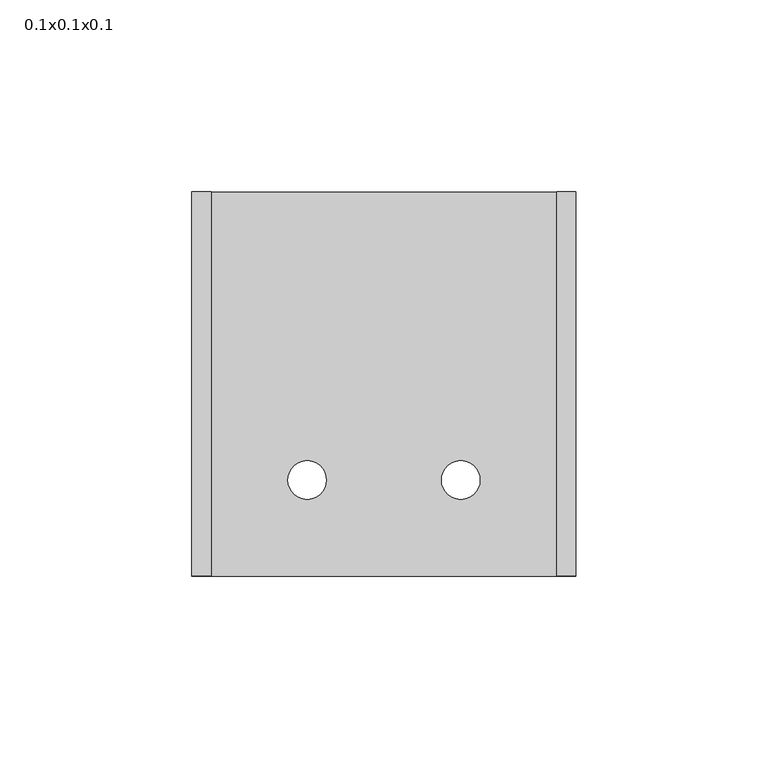
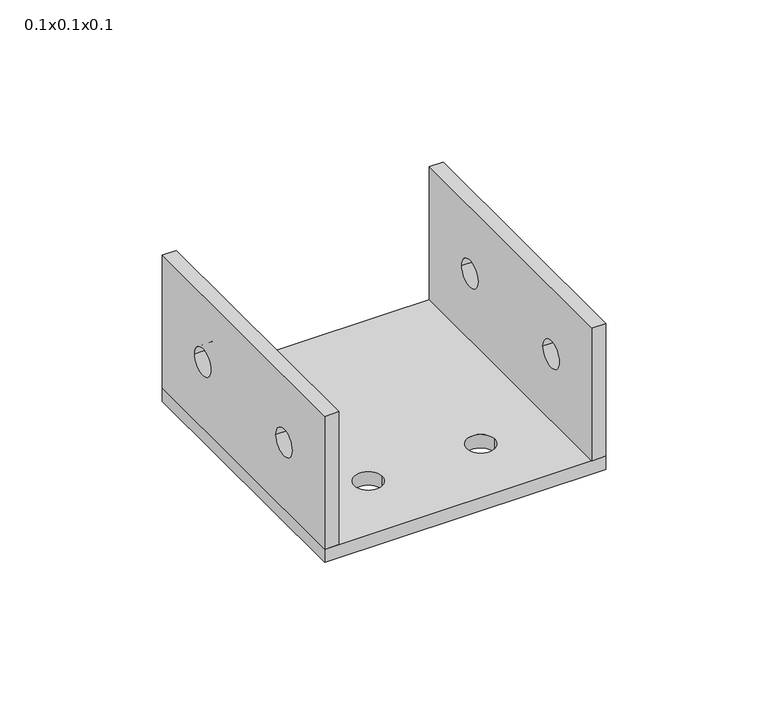
"""IFC4 building model written with IfcOpenShell, lengths in millimetres: proxy geometry, 0.1x0.1x0.1."""

import ifcopenshell
import ifcopenshell.guid

model = None  # the IFC model being written
_history = None  # IfcOwnerHistory: only IFC2X3 demands one
_inside = {}  # id of a spatial element -> (the spatial element, [elements in it])
_under = {}  # id of a project, library or spatial element -> (it, [spatial elements below it])
_declared = {}  # id of a project -> (the project, [libraries it declares])
_typed = {}  # id of a type object -> (the type object, [elements of that type])
_made_of = {}  # id of a material, layer set ... -> (it, [elements and type objects made of it])


def new_model(schema):
    """Start an empty IFC model of exactly this schema.

    Asked for "IFC4X3", IfcOpenShell would pick the latest addendum, in which some entities
    have other attributes; the version numbers below select the first issue.
    IFC2X3 requires an IfcOwnerHistory on every rooted entity: one is made here for all.
    """
    global model, _history
    if schema == "IFC4X3":
        model = ifcopenshell.file(schema_version=(4, 3, 0, 0))
    else:
        model = ifcopenshell.file(schema=schema)
    _inside.clear()
    _under.clear()
    _declared.clear()
    _typed.clear()
    _made_of.clear()
    _history = None
    if model.schema == "IFC2X3":
        org = make("IfcOrganization", Name="unknown")
        user = make(
            "IfcPersonAndOrganization",
            ThePerson=make("IfcPerson", FamilyName="unknown"),
            TheOrganization=org,
        )
        app = make(
            "IfcApplication",
            ApplicationDeveloper=org,
            Version="unknown",
            ApplicationFullName="unknown",
            ApplicationIdentifier="unknown",
        )
        _history = make(
            "IfcOwnerHistory",
            OwningUser=user,
            OwningApplication=app,
            ChangeAction="ADDED",
            CreationDate=0,
        )
    return model


def make(cls, **values):
    """One entity of the class cls with the attributes given. An attribute that is None is left unset."""
    return model.create_entity(
        cls, **{name: value for name, value in values.items() if value is not None}
    )


def rooted(cls, **values):
    """An entity with a GlobalId (a new one), such as an element, a storey or a relation."""
    return make(cls, GlobalId=ifcopenshell.guid.new(), OwnerHistory=_history, **values)


def si_unit(unit_type, name, prefix=None):
    """IfcSIUnit, for example si_unit("LENGTHUNIT", "METRE", prefix="MILLI")."""
    return make("IfcSIUnit", UnitType=unit_type, Prefix=prefix, Name=name)


def assignment(units):
    """IfcUnitAssignment: the units of a project."""
    return None if units is None else make("IfcUnitAssignment", Units=units)


def point(xyz):
    """IfcCartesianPoint."""
    return None if xyz is None else make("IfcCartesianPoint", Coordinates=xyz)


def direction(xyz):
    """IfcDirection."""
    return None if xyz is None else make("IfcDirection", DirectionRatios=xyz)


def frame(location, z_axis=None, x_axis=None):
    """IfcAxis2Placement3D, a coordinate frame: its origin and axes. An axis left out is left unset."""
    return make(
        "IfcAxis2Placement3D",
        Location=point(location),
        Axis=direction(z_axis),
        RefDirection=direction(x_axis),
    )


def frame_2d(location, x_axis=None):
    """IfcAxis2Placement2D, a coordinate frame in the plane: its origin and x axis."""
    return make(
        "IfcAxis2Placement2D", Location=point(location), RefDirection=direction(x_axis)
    )


def origin():
    """The frame at (0, 0, 0) with its axes left unset."""
    return frame((0.0, 0.0, 0.0))


def origin_with_axes():
    """The frame at (0, 0, 0) with the z axis (0, 0, 1) and the x axis (1, 0, 0) written out."""
    return frame((0.0, 0.0, 0.0), z_axis=(0.0, 0.0, 1.0), x_axis=(1.0, 0.0, 0.0))


def place(relative_to, where):
    """IfcLocalPlacement: puts the frame where relative to a parent placement (None: the world)."""
    return make(
        "IfcLocalPlacement", PlacementRelTo=relative_to, RelativePlacement=where
    )


def context(
    kind, dimensions, precision=None, world=None, true_north=None, identifier=None
):
    """IfcGeometricRepresentationContext, for example the 3D "Model" context."""
    return make(
        "IfcGeometricRepresentationContext",
        ContextIdentifier=identifier,
        ContextType=kind,
        CoordinateSpaceDimension=dimensions,
        Precision=precision,
        WorldCoordinateSystem=world,
        TrueNorth=true_north,
    )


def project(units=None, contexts=None):
    """IfcProject with its units and contexts."""
    return rooted(
        "IfcProject",
        Name="project",
        RepresentationContexts=contexts,
        UnitsInContext=assignment(units),
    )


def spatial(cls, under=None, at=None, **own):
    """A site, building, storey or space (cls), placed at a placement, below another one or the project."""
    s = rooted(cls, ObjectPlacement=at, **own)
    if under is not None:
        _under.setdefault(under.id(), (under, []))[1].append(s)
    return s


def polyline(points):
    """IfcPolyline through the points."""
    return make("IfcPolyline", Points=[point(p) for p in points])


def circle_curve(where, radius):
    """IfcCircle in the frame where."""
    return make("IfcCircle", Position=where, Radius=radius)


def trimmed(basis, trim1, trim2, sense, master):
    """IfcTrimmedCurve: the piece of a basis curve between two trims."""
    return make(
        "IfcTrimmedCurve",
        BasisCurve=basis,
        Trim1=trim1,
        Trim2=trim2,
        SenseAgreement=sense,
        MasterRepresentation=master,
    )


def segment(curve, same_sense, transition):
    """IfcCompositeCurveSegment."""
    return make(
        "IfcCompositeCurveSegment",
        Transition=transition,
        SameSense=same_sense,
        ParentCurve=curve,
    )


def composite_curve(segments, self_intersect=None):
    """IfcCompositeCurve: segments joined end to end."""
    return make("IfcCompositeCurve", Segments=segments, SelfIntersect=self_intersect)


def outline(outer, holes=None, kind="AREA"):
    """IfcArbitraryClosedProfileDef: a profile drawn as a closed curve; with holes, ...WithVoids."""
    if holes is None:
        return make("IfcArbitraryClosedProfileDef", ProfileType=kind, OuterCurve=outer)
    return make(
        "IfcArbitraryProfileDefWithVoids",
        ProfileType=kind,
        OuterCurve=outer,
        InnerCurves=holes,
    )


def extrude(swept, where, along, depth):
    """IfcExtrudedAreaSolid: the profile swept, set in the frame where, extruded along a direction by depth."""
    return make(
        "IfcExtrudedAreaSolid",
        SweptArea=swept,
        Position=where,
        ExtrudedDirection=direction(along),
        Depth=depth,
    )


def shape(context_of_items, identifier, shape_type, items):
    """IfcShapeRepresentation: the items that make up one representation, for example the "Body"."""
    return make(
        "IfcShapeRepresentation",
        ContextOfItems=context_of_items,
        RepresentationIdentifier=identifier,
        RepresentationType=shape_type,
        Items=items,
    )


def source(mapping_origin, context_of_items, identifier, shape_type, items):
    """IfcRepresentationMap: a shape defined once, which mapped items show again and again."""
    return make(
        "IfcRepresentationMap",
        MappingOrigin=mapping_origin,
        MappedRepresentation=shape(context_of_items, identifier, shape_type, items),
    )


def transform(
    local_origin,
    x_axis=None,
    y_axis=None,
    z_axis=None,
    scale=None,
    scale2=None,
    scale3=None,
    uniform=True,
):
    """IfcCartesianTransformationOperator3D, or its non-uniform kind. x_axis, y_axis, z_axis: its Axis1, 2, 3."""
    if uniform:
        return make(
            "IfcCartesianTransformationOperator3D",
            Axis1=direction(x_axis),
            Axis2=direction(y_axis),
            LocalOrigin=point(local_origin),
            Scale=scale,
            Axis3=direction(z_axis),
        )
    return make(
        "IfcCartesianTransformationOperator3DnonUniform",
        Axis1=direction(x_axis),
        Axis2=direction(y_axis),
        LocalOrigin=point(local_origin),
        Scale=scale,
        Axis3=direction(z_axis),
        Scale2=scale2,
        Scale3=scale3,
    )


def mapped(mapping_source, mapping_target):
    """IfcMappedItem: shows the shape of a source again, moved by a transform."""
    return make(
        "IfcMappedItem", MappingSource=mapping_source, MappingTarget=mapping_target
    )


def made_of(thing, what):
    """Note that an element or type object is made of a material, layer set ...; save() writes the relation."""
    if what is not None:
        _made_of.setdefault(what.id(), (what, []))[1].append(thing)
    return thing


def element(
    cls,
    number,
    at=None,
    inside=None,
    cuts=None,
    type_object=None,
    material=None,
    context=None,
    identifier="Body",
    shape_type=None,
    held_by="IfcProductDefinitionShape",
    body=None,
    shapes=None,
    **own,
):
    """One element of the class cls, such as IfcWall. Its Tag is "e" and its number.

    at: its placement. inside: the storey or other place that contains it. cuts: it is an
    opening in that element (IfcRelVoidsElement). A single representation is given by context,
    identifier, shape_type and body (its items); several are given by shapes. held_by: the class
    of the entity that holds the representations. save() writes the other relations.
    """
    e = rooted(cls, Tag="e%d" % number, ObjectPlacement=at, **own)
    if body is not None:
        shapes = [shape(context, identifier, shape_type, body)]
    if shapes is not None:
        e.Representation = make(held_by, Representations=shapes)
    if inside is not None:
        _inside.setdefault(inside.id(), (inside, []))[1].append(e)
    if cuts is not None:
        rooted(
            "IfcRelVoidsElement", RelatingBuildingElement=cuts, RelatedOpeningElement=e
        )
    if type_object is not None:
        _typed.setdefault(type_object.id(), (type_object, []))[1].append(e)
    return made_of(e, material)


def aggregate(whole, parts):
    """IfcRelAggregates: a whole, such as a stair, and the parts it consists of."""
    return rooted("IfcRelAggregates", RelatingObject=whole, RelatedObjects=parts)


def save(model, path):
    """Write the relations noted so far, then the file.

    IfcRelAggregates (storeys below a building ...), IfcRelContainedInSpatialStructure (elements
    in a storey), IfcRelDefinesByType, IfcRelAssociatesMaterial and IfcRelDeclares: one each for
    every whole, place, type object, material and project.
    """
    for whole, parts in _under.values():
        aggregate(whole, parts)
    for where, things in _inside.values():
        rooted(
            "IfcRelContainedInSpatialStructure",
            RelatedElements=things,
            RelatingStructure=where,
        )
    for kind, things in _typed.values():
        rooted("IfcRelDefinesByType", RelatedObjects=things, RelatingType=kind)
    for what, things in _made_of.values():
        rooted("IfcRelAssociatesMaterial", RelatedObjects=things, RelatingMaterial=what)
    for by, libraries in _declared.values():
        rooted("IfcRelDeclares", RelatingContext=by, RelatedDefinitions=libraries)
    model.write(path)


def proxy_0_1x0_1x0_1_aef5c863(model_context):
    return source(origin(), model_context, "Body", "SweptSolid", [
        extrude(outline(polyline([(0.0, 55.0), (100.0, 55.0), (100.0, 5.0), (0.0, 5.0), (0.0, 55.0)]), holes=[composite_curve([segment(trimmed(circle_curve(frame_2d((75.0, 30.0)), 5.0), [point((70.0, 30.0))], [point((80.0, 30.0))], True, "CARTESIAN"), True, "CONTINUOUS"), segment(trimmed(circle_curve(frame_2d((75.0, 30.0)), 5.0), [point((80.0, 30.0))], [point((70.0, 30.0))], True, "CARTESIAN"), True, "CONTINUOUS")], self_intersect=False), composite_curve([segment(trimmed(circle_curve(frame_2d((25.0, 30.0)), 5.0), [point((20.0, 30.0))], [point((30.0, 30.0))], True, "CARTESIAN"), True, "CONTINUOUS"), segment(trimmed(circle_curve(frame_2d((25.0, 30.0)), 5.0), [point((30.0, 30.0))], [point((20.0, 30.0))], True, "CARTESIAN"), True, "CONTINUOUS")], self_intersect=False)]), frame((0.0, 0.0, 0.0), z_axis=(1.0, 0.0, 0.0), x_axis=(0.0, 1.0, 0.0)), (0.0, 0.0, 1.0), 5.0),
        extrude(outline(polyline([(0.0, 55.0), (100.0, 55.0), (100.0, 5.0), (0.0, 5.0), (0.0, 55.0)]), holes=[composite_curve([segment(trimmed(circle_curve(frame_2d((75.0, 30.0)), 5.0), [point((70.0, 30.0))], [point((80.0, 30.0))], True, "CARTESIAN"), True, "CONTINUOUS"), segment(trimmed(circle_curve(frame_2d((75.0, 30.0)), 5.0), [point((80.0, 30.0))], [point((70.0, 30.0))], True, "CARTESIAN"), True, "CONTINUOUS")], self_intersect=False), composite_curve([segment(trimmed(circle_curve(frame_2d((25.0, 30.0)), 5.0), [point((20.0, 30.0))], [point((30.0, 30.0))], True, "CARTESIAN"), True, "CONTINUOUS"), segment(trimmed(circle_curve(frame_2d((25.0, 30.0)), 5.0), [point((30.0, 30.0))], [point((20.0, 30.0))], True, "CARTESIAN"), True, "CONTINUOUS")], self_intersect=False)]), frame((95.0, 0.0, 0.0), z_axis=(1.0, 0.0, 0.0), x_axis=(0.0, 1.0, 0.0)), (0.0, 0.0, 1.0), 5.0),
        extrude(outline(polyline([(100.0, 100.0), (100.0, 0.0), (0.0, 0.0), (0.0, 100.0), (100.0, 100.0)]), holes=[composite_curve([segment(trimmed(circle_curve(frame_2d((30.0, 25.0)), 5.0), [point((25.0, 25.0))], [point((35.0, 25.0))], True, "CARTESIAN"), True, "CONTINUOUS"), segment(trimmed(circle_curve(frame_2d((30.0, 25.0)), 5.0), [point((35.0, 25.0))], [point((25.0, 25.0))], True, "CARTESIAN"), True, "CONTINUOUS")], self_intersect=False), composite_curve([segment(trimmed(circle_curve(frame_2d((70.0, 25.0)), 5.0), [point((65.0, 25.0))], [point((75.0, 25.0))], True, "CARTESIAN"), True, "CONTINUOUS"), segment(trimmed(circle_curve(frame_2d((70.0, 25.0)), 5.0), [point((75.0, 25.0))], [point((65.0, 25.0))], True, "CARTESIAN"), True, "CONTINUOUS")], self_intersect=False)]), origin_with_axes(), (0.0, 0.0, 1.0), 5.0),
    ])


if __name__ == "__main__":
    model = new_model("IFC4")
    model_context = context("Model", 3, world=origin())
    ifc_project = project(units=[si_unit("LENGTHUNIT", "METRE", prefix="MILLI")], contexts=[model_context])
    site = spatial("IfcSite", under=ifc_project)
    building = spatial("IfcBuilding", under=site)
    placement = place(None, origin())
    proxy_0_1x0_1x0_1_shape = proxy_0_1x0_1x0_1_aef5c863(model_context)
    element("IfcBuildingElementProxy", 1, Name="0.1x0.1x0.1", ObjectType="0.1x0.1x0.1", at=placement, inside=building, context=model_context, shape_type="MappedRepresentation", body=[
        mapped(proxy_0_1x0_1x0_1_shape, transform((0.0, 0.0, 0.0), x_axis=(1.0, 0.0, 0.0), y_axis=(0.0, 1.0, 0.0), z_axis=(0.0, 0.0, 1.0))),
    ])
    save(model, "model.ifc")
